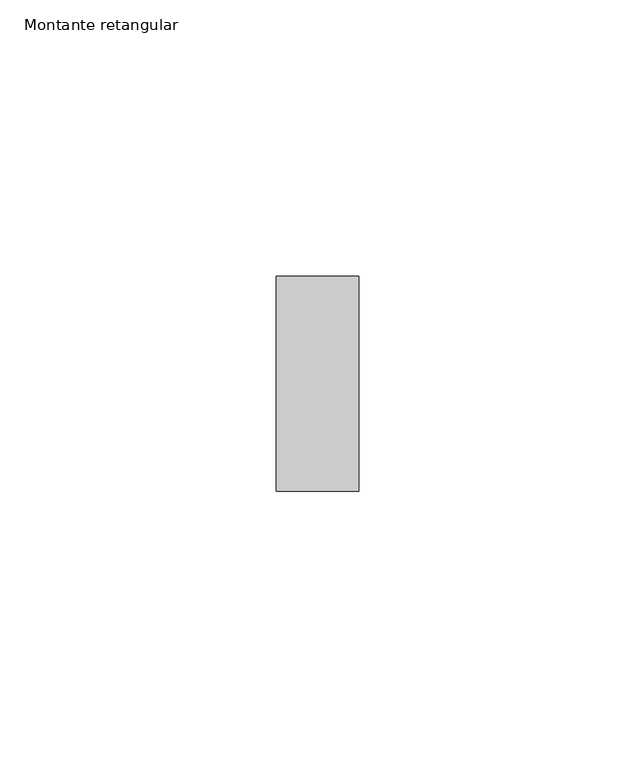
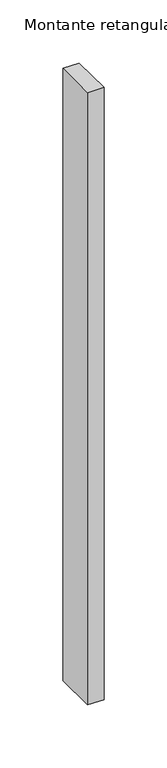
"""IFC4 building model written with IfcOpenShell, lengths in millimetres: member geometry, Montante retangular."""

from ifc_helpers import new_model, si_unit, frame, origin, place, context, project, spatial, polyline, outline, extrude, source, transform, mapped, element, save


def montante_retangular_559c7701(model_context):
    return source(origin(), model_context, "Body", "SweptSolid", [
        extrude(outline(polyline([(7.5, 0.0), (7.5, -39.0), (-7.5, -39.0), (-7.5, 0.0), (7.5, 0.0)])), frame((0.0, 0.0, -592.5), z_axis=(0.0, 0.0, 1.0), x_axis=(1.0, 0.0, 0.0)), (0.0, 0.0, 1.0), 592.5),
    ])


if __name__ == "__main__":
    model = new_model("IFC4")
    model_context = context("Model", 3, world=origin())
    ifc_project = project(units=[si_unit("LENGTHUNIT", "METRE", prefix="MILLI")], contexts=[model_context])
    site = spatial("IfcSite", under=ifc_project)
    building = spatial("IfcBuilding", under=site)
    placement = place(None, origin())
    montante_retangular_shape = montante_retangular_559c7701(model_context)
    element("IfcMember", 1, ObjectType="Montante retangular", at=placement, inside=building, context=model_context, shape_type="MappedRepresentation", body=[
        mapped(montante_retangular_shape, transform((0.0, 0.0, 0.0), x_axis=(1.0, 0.0, 0.0), y_axis=(0.0, 1.0, 0.0), z_axis=(0.0, 0.0, 1.0))),
    ])
    save(model, "model.ifc")
